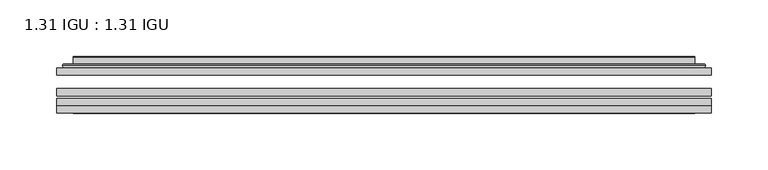
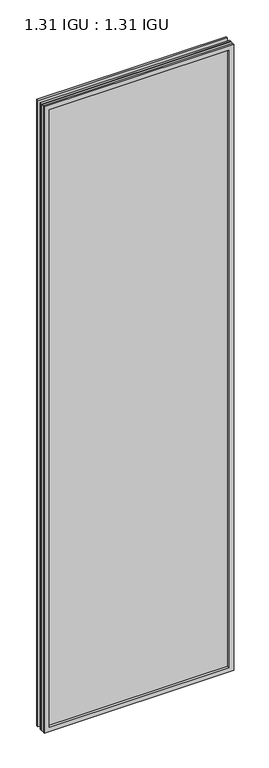
"""IFC4 building model written with IfcOpenShell, lengths in millimetres: plate geometry, 1.31 IGU : 1.31 IGU."""

import ifcopenshell
import ifcopenshell.guid

model = None  # the IFC model being written
_history = None  # IfcOwnerHistory: only IFC2X3 demands one
_inside = {}  # id of a spatial element -> (the spatial element, [elements in it])
_under = {}  # id of a project, library or spatial element -> (it, [spatial elements below it])
_declared = {}  # id of a project -> (the project, [libraries it declares])
_typed = {}  # id of a type object -> (the type object, [elements of that type])
_made_of = {}  # id of a material, layer set ... -> (it, [elements and type objects made of it])


def new_model(schema):
    """Start an empty IFC model of exactly this schema.

    Asked for "IFC4X3", IfcOpenShell would pick the latest addendum, in which some entities
    have other attributes; the version numbers below select the first issue.
    IFC2X3 requires an IfcOwnerHistory on every rooted entity: one is made here for all.
    """
    global model, _history
    if schema == "IFC4X3":
        model = ifcopenshell.file(schema_version=(4, 3, 0, 0))
    else:
        model = ifcopenshell.file(schema=schema)
    _inside.clear()
    _under.clear()
    _declared.clear()
    _typed.clear()
    _made_of.clear()
    _history = None
    if model.schema == "IFC2X3":
        org = make("IfcOrganization", Name="unknown")
        user = make(
            "IfcPersonAndOrganization",
            ThePerson=make("IfcPerson", FamilyName="unknown"),
            TheOrganization=org,
        )
        app = make(
            "IfcApplication",
            ApplicationDeveloper=org,
            Version="unknown",
            ApplicationFullName="unknown",
            ApplicationIdentifier="unknown",
        )
        _history = make(
            "IfcOwnerHistory",
            OwningUser=user,
            OwningApplication=app,
            ChangeAction="ADDED",
            CreationDate=0,
        )
    return model


def make(cls, **values):
    """One entity of the class cls with the attributes given. An attribute that is None is left unset."""
    return model.create_entity(
        cls, **{name: value for name, value in values.items() if value is not None}
    )


def rooted(cls, **values):
    """An entity with a GlobalId (a new one), such as an element, a storey or a relation."""
    return make(cls, GlobalId=ifcopenshell.guid.new(), OwnerHistory=_history, **values)


def si_unit(unit_type, name, prefix=None):
    """IfcSIUnit, for example si_unit("LENGTHUNIT", "METRE", prefix="MILLI")."""
    return make("IfcSIUnit", UnitType=unit_type, Prefix=prefix, Name=name)


def assignment(units):
    """IfcUnitAssignment: the units of a project."""
    return None if units is None else make("IfcUnitAssignment", Units=units)


def point(xyz):
    """IfcCartesianPoint."""
    return None if xyz is None else make("IfcCartesianPoint", Coordinates=xyz)


def direction(xyz):
    """IfcDirection."""
    return None if xyz is None else make("IfcDirection", DirectionRatios=xyz)


def frame(location, z_axis=None, x_axis=None):
    """IfcAxis2Placement3D, a coordinate frame: its origin and axes. An axis left out is left unset."""
    return make(
        "IfcAxis2Placement3D",
        Location=point(location),
        Axis=direction(z_axis),
        RefDirection=direction(x_axis),
    )


def origin():
    """The frame at (0, 0, 0) with its axes left unset."""
    return frame((0.0, 0.0, 0.0))


def place(relative_to, where):
    """IfcLocalPlacement: puts the frame where relative to a parent placement (None: the world)."""
    return make(
        "IfcLocalPlacement", PlacementRelTo=relative_to, RelativePlacement=where
    )


def context(
    kind, dimensions, precision=None, world=None, true_north=None, identifier=None
):
    """IfcGeometricRepresentationContext, for example the 3D "Model" context."""
    return make(
        "IfcGeometricRepresentationContext",
        ContextIdentifier=identifier,
        ContextType=kind,
        CoordinateSpaceDimension=dimensions,
        Precision=precision,
        WorldCoordinateSystem=world,
        TrueNorth=true_north,
    )


def project(units=None, contexts=None):
    """IfcProject with its units and contexts."""
    return rooted(
        "IfcProject",
        Name="project",
        RepresentationContexts=contexts,
        UnitsInContext=assignment(units),
    )


def spatial(cls, under=None, at=None, **own):
    """A site, building, storey or space (cls), placed at a placement, below another one or the project."""
    s = rooted(cls, ObjectPlacement=at, **own)
    if under is not None:
        _under.setdefault(under.id(), (under, []))[1].append(s)
    return s


def polyline(points):
    """IfcPolyline through the points."""
    return make("IfcPolyline", Points=[point(p) for p in points])


def ellipse_curve(where, semi_axis1, semi_axis2):
    """IfcEllipse in the frame where."""
    return make(
        "IfcEllipse", Position=where, SemiAxis1=semi_axis1, SemiAxis2=semi_axis2
    )


def outline(outer, holes=None, kind="AREA"):
    """IfcArbitraryClosedProfileDef: a profile drawn as a closed curve; with holes, ...WithVoids."""
    if holes is None:
        return make("IfcArbitraryClosedProfileDef", ProfileType=kind, OuterCurve=outer)
    return make(
        "IfcArbitraryProfileDefWithVoids",
        ProfileType=kind,
        OuterCurve=outer,
        InnerCurves=holes,
    )


def extrude(swept, where, along, depth):
    """IfcExtrudedAreaSolid: the profile swept, set in the frame where, extruded along a direction by depth."""
    return make(
        "IfcExtrudedAreaSolid",
        SweptArea=swept,
        Position=where,
        ExtrudedDirection=direction(along),
        Depth=depth,
    )


def faces_of(points, faces, orient=None, outer=None):
    """IfcFace entities. A face is a list of loops; a loop is a list of indices into points, from 0.

    orient and outer hold one flag for each loop. By default every Orientation is true, the
    first loop of a face is its IfcFaceOuterBound and the others are IfcFaceBound.
    """
    made = []
    for i, loops in enumerate(faces):
        bounds = []
        for j, loop in enumerate(loops):
            is_outer = j == 0 if outer is None else outer[i][j]
            bounds.append(
                make(
                    "IfcFaceOuterBound" if is_outer else "IfcFaceBound",
                    Bound=make("IfcPolyLoop", Polygon=[points[k] for k in loop]),
                    Orientation=True if orient is None else orient[i][j],
                )
            )
        made.append(make("IfcFace", Bounds=bounds))
    return made


def faceted_brep(points, faces, orient=None, outer=None, voids=None):
    """IfcFacetedBrep: a solid bounded by flat faces; with voids (closed shells), ...WithVoids."""
    shared = [point(p) for p in points]
    hull = make("IfcClosedShell", CfsFaces=faces_of(shared, faces, orient, outer))
    if voids is None:
        return make("IfcFacetedBrep", Outer=hull)
    return make(
        "IfcFacetedBrepWithVoids",
        Outer=hull,
        Voids=[
            make(cls, CfsFaces=faces_of(shared, fs, o, b)) for cls, fs, o, b in voids
        ],
    )


def shape(context_of_items, identifier, shape_type, items):
    """IfcShapeRepresentation: the items that make up one representation, for example the "Body"."""
    return make(
        "IfcShapeRepresentation",
        ContextOfItems=context_of_items,
        RepresentationIdentifier=identifier,
        RepresentationType=shape_type,
        Items=items,
    )


def source(mapping_origin, context_of_items, identifier, shape_type, items):
    """IfcRepresentationMap: a shape defined once, which mapped items show again and again."""
    return make(
        "IfcRepresentationMap",
        MappingOrigin=mapping_origin,
        MappedRepresentation=shape(context_of_items, identifier, shape_type, items),
    )


def transform(
    local_origin,
    x_axis=None,
    y_axis=None,
    z_axis=None,
    scale=None,
    scale2=None,
    scale3=None,
    uniform=True,
):
    """IfcCartesianTransformationOperator3D, or its non-uniform kind. x_axis, y_axis, z_axis: its Axis1, 2, 3."""
    if uniform:
        return make(
            "IfcCartesianTransformationOperator3D",
            Axis1=direction(x_axis),
            Axis2=direction(y_axis),
            LocalOrigin=point(local_origin),
            Scale=scale,
            Axis3=direction(z_axis),
        )
    return make(
        "IfcCartesianTransformationOperator3DnonUniform",
        Axis1=direction(x_axis),
        Axis2=direction(y_axis),
        LocalOrigin=point(local_origin),
        Scale=scale,
        Axis3=direction(z_axis),
        Scale2=scale2,
        Scale3=scale3,
    )


def mapped(mapping_source, mapping_target):
    """IfcMappedItem: shows the shape of a source again, moved by a transform."""
    return make(
        "IfcMappedItem", MappingSource=mapping_source, MappingTarget=mapping_target
    )


def made_of(thing, what):
    """Note that an element or type object is made of a material, layer set ...; save() writes the relation."""
    if what is not None:
        _made_of.setdefault(what.id(), (what, []))[1].append(thing)
    return thing


def element(
    cls,
    number,
    at=None,
    inside=None,
    cuts=None,
    type_object=None,
    material=None,
    context=None,
    identifier="Body",
    shape_type=None,
    held_by="IfcProductDefinitionShape",
    body=None,
    shapes=None,
    **own,
):
    """One element of the class cls, such as IfcWall. Its Tag is "e" and its number.

    at: its placement. inside: the storey or other place that contains it. cuts: it is an
    opening in that element (IfcRelVoidsElement). A single representation is given by context,
    identifier, shape_type and body (its items); several are given by shapes. held_by: the class
    of the entity that holds the representations. save() writes the other relations.
    """
    e = rooted(cls, Tag="e%d" % number, ObjectPlacement=at, **own)
    if body is not None:
        shapes = [shape(context, identifier, shape_type, body)]
    if shapes is not None:
        e.Representation = make(held_by, Representations=shapes)
    if inside is not None:
        _inside.setdefault(inside.id(), (inside, []))[1].append(e)
    if cuts is not None:
        rooted(
            "IfcRelVoidsElement", RelatingBuildingElement=cuts, RelatedOpeningElement=e
        )
    if type_object is not None:
        _typed.setdefault(type_object.id(), (type_object, []))[1].append(e)
    return made_of(e, material)


def aggregate(whole, parts):
    """IfcRelAggregates: a whole, such as a stair, and the parts it consists of."""
    return rooted("IfcRelAggregates", RelatingObject=whole, RelatedObjects=parts)


def save(model, path):
    """Write the relations noted so far, then the file.

    IfcRelAggregates (storeys below a building ...), IfcRelContainedInSpatialStructure (elements
    in a storey), IfcRelDefinesByType, IfcRelAssociatesMaterial and IfcRelDeclares: one each for
    every whole, place, type object, material and project.
    """
    for whole, parts in _under.values():
        aggregate(whole, parts)
    for where, things in _inside.values():
        rooted(
            "IfcRelContainedInSpatialStructure",
            RelatedElements=things,
            RelatingStructure=where,
        )
    for kind, things in _typed.values():
        rooted("IfcRelDefinesByType", RelatedObjects=things, RelatingType=kind)
    for what, things in _made_of.values():
        rooted("IfcRelAssociatesMaterial", RelatedObjects=things, RelatingMaterial=what)
    for by, libraries in _declared.values():
        rooted("IfcRelDeclares", RelatingContext=by, RelatedDefinitions=libraries)
    model.write(path)


def plane_surface(at):
    """IfcPlane: the flat surface through the origin of the frame at, square to its z axis."""
    return make("IfcPlane", Position=at)


def cylinder_surface(at, radius):
    """IfcCylindricalSurface: all points at the distance radius from the z axis of the frame at."""
    return make("IfcCylindricalSurface", Position=at, Radius=radius)


def advanced_brep(points, edges, surfaces, faces):
    """IfcAdvancedBrep: a solid bounded by faces that lie on surfaces and meet in shared edges.

    An edge is (start, end): straight between two places in points (the first is 0);
    or (start, end, curve); or (start, end, curve, False) where it runs against its curve.
    A face is (place in surfaces, loops), or (place, loops, False) where it looks against
    its surface's normal. A loop lists edges by number (the first is 1), with a minus sign
    where the edge is run from its end to its start. The first loop is the outer one.
    """
    corners = [point(p) for p in points]
    vertices = [make("IfcVertexPoint", VertexGeometry=c) for c in corners]
    made = []
    for start, end, *more in edges:
        made.append(
            make(
                "IfcEdgeCurve",
                EdgeStart=vertices[start],
                EdgeEnd=vertices[end],
                EdgeGeometry=more[0] if more else make("IfcPolyline", Points=[corners[start], corners[end]]),
                SameSense=more[1] if len(more) > 1 else True,
            )
        )
    hull = []
    for where, loops, *sense in faces:
        bounds = []
        for j, loop in enumerate(loops):
            ring = [make("IfcOrientedEdge", EdgeElement=made[abs(k) - 1], Orientation=k > 0) for k in loop]
            bounds.append(
                make(
                    "IfcFaceOuterBound" if j == 0 else "IfcFaceBound",
                    Bound=make("IfcEdgeLoop", EdgeList=ring),
                    Orientation=True,
                )
            )
        hull.append(make("IfcAdvancedFace", Bounds=bounds, FaceSurface=surfaces[where], SameSense=sense[0] if sense else True))
    return make("IfcAdvancedBrep", Outer=make("IfcClosedShell", CfsFaces=hull))


def plate_1_31_igu_1_31_igu_e0c0323f(model_context):
    return source(origin(), model_context, "Body", "SolidModel", [
        extrude(outline(polyline([(287.351675, -63.2975937), (287.351675, -69.6475938), (-287.3375, -69.6475938), (-287.3375, -63.2975937), (287.351675, -63.2975937)])), frame((0.0, 0.0, -14.2875), z_axis=(0.0, 0.0, 1.0), x_axis=(1.0, 0.0, 0.0)), (0.0, 0.0, 1.0), 2009.796575),
        extrude(outline(polyline([(-287.3375, -78.2835938), (-287.3375, -71.9330887), (287.351675, -71.9330887), (287.351675, -78.2835938), (-287.3375, -78.2835938)])), frame((0.0, 0.0, -14.2875), z_axis=(0.0, 0.0, 1.0), x_axis=(1.0, 0.0, 0.0)), (0.0, 0.0, 1.0), 2009.796575),
        extrude(outline(polyline([(287.351675, -44.9587937), (287.351675, -51.3087938), (-287.3375, -51.3087938), (-287.3375, -44.9587937), (287.351675, -44.9587937)])), frame((0.0, 0.0, -14.2875), z_axis=(0.0, 0.0, 1.0), x_axis=(1.0, 0.0, 0.0)), (0.0, 0.0, 1.0), 2009.796575),
        faceted_brep([(-287.3502, -84.6335937, 1995.5179772), (-287.3502, -78.2835937, 1995.5179772), (-287.3502, -78.2835937, -14.3002), (-287.3502, -84.6335937, -14.3002), (287.3502, -78.2835937, -14.3002), (287.3502, -84.6335937, -14.3002), (287.3502, -78.2835937, 1995.5179772), (287.3502, -84.6335937, 1995.5179772), (-272.1522559, -78.2835937, 0.8977441), (272.1522559, -78.2835937, 0.8977441), (272.1522559, -78.2835937, 1980.320033), (-272.1522559, -78.2835937, 1980.320033), (-273.0446902, -84.6335937, 1981.2124673), (273.0446902, -84.6335937, 1981.2124673), (273.0446902, -84.6335937, 0.0053098), (-273.0446902, -84.6335937, 0.0053098)], [[[0, 1, 2, 3]], [[3, 2, 4, 5]], [[5, 4, 6, 7]], [[1, 6, 4, 2], [8, 9, 10, 11]], [[7, 6, 1, 0]], [[3, 5, 7, 0], [12, 13, 14, 15]], [[11, 12, 15, 8]], [[8, 15, 14, 9]], [[9, 14, 13, 10]], [[10, 13, 12, 11]]]),
        advanced_brep(
        [(-280.096219, -44.9587937, 1988.2639962), (-282.4504244, -42.9691271, 1990.6182015), (-282.4504244, -42.9691271, -9.4004244), (-280.096219, -44.9587937, -7.046219), (-271.0218939, -41.1187568, 1979.1896711), (-266.0870621, -44.9587937, 1974.2548392), (-266.0870621, -44.9587937, 6.9629379), (-271.0218939, -41.1187568, 2.0281061), (-272.0539217, -35.7215256, 1980.2216988), (-272.0539217, -35.7215256, 0.9960783), (-273.0445784, -35.3225507, 1981.2123556), (-273.0445784, -35.3225507, 0.0054216), (-273.0445784, -41.7837937, 1981.2123556), (-273.0445784, -41.7837937, 0.0054216), (-281.4486349, -41.7837937, 1989.616412), (-281.4486349, -41.7837937, -8.3986349), (282.4504244, -42.9691271, -9.4004244), (280.096219, -44.9587937, -7.046219), (266.0870621, -44.9587937, 6.9629379), (271.0218939, -41.1187568, 2.0281061), (272.0539217, -35.7215256, 0.9960783), (273.0445784, -35.3225507, 0.0054216), (273.0445784, -41.7837937, 0.0054216), (281.4486349, -41.7837937, -8.3986349), (282.4504244, -42.9691271, 1990.6182015), (280.096219, -44.9587937, 1988.2639962), (266.0870621, -44.9587937, 1974.2548392), (271.0218939, -41.1187568, 1979.1896711), (272.0539217, -35.7215256, 1980.2216988), (273.0445784, -35.3225507, 1981.2123556), (273.0445784, -41.7837937, 1981.2123556), (281.4486349, -41.7837937, 1989.616412)],
        [
            (0, 1, ellipse_curve(frame((-280.096219, -42.5711937, 1988.2639962), z_axis=(-0.7071067811865475, 0.0, -0.7071067811865475), x_axis=(-0.7071067811865474, 0.0, 0.7071067811865476)), 3.3765763, 2.3876)),
            (1, 2),
            (2, 3, ellipse_curve(frame((-280.096219, -42.5711937, -7.046219), z_axis=(-0.7071067811865475, 0.0, 0.7071067811865475), x_axis=(0.7071067811865474, 0.0, 0.7071067811865476)), 3.3765763, 2.3876)),
            (3, 0),
            (4, 5),
            (5, 6),
            (6, 7),
            (7, 4),
            (8, 4),
            (7, 9),
            (9, 8),
            (10, 8, ellipse_curve(frame((-272.6776219, -35.840786, 1980.845399), z_axis=(-0.7071067811865475, 0.0, -0.7071067811865475), x_axis=(-0.7071067811865474, 0.0, 0.7071067811865476)), 0.8980256, 0.635)),
            (9, 11, ellipse_curve(frame((-272.6776219, -35.840786, 0.3723781), z_axis=(-0.7071067811865475, 0.0, 0.7071067811865475), x_axis=(0.7071067811865474, 0.0, 0.7071067811865476)), 0.8980256, 0.635)),
            (11, 10),
            (12, 10),
            (11, 13),
            (13, 12),
            (1, 14, ellipse_curve(frame((-281.4486349, -42.7997937, 1989.616412), z_axis=(-0.7071067811865475, 0.0, -0.7071067811865475), x_axis=(-0.7071067811865474, 0.0, 0.7071067811865476)), 1.436841, 1.016)),
            (14, 15),
            (15, 2, ellipse_curve(frame((-281.4486349, -42.7997937, -8.3986349), z_axis=(-0.7071067811865475, 0.0, 0.7071067811865475), x_axis=(0.7071067811865474, 0.0, 0.7071067811865476)), 1.436841, 1.016)),
            (2, 16),
            (16, 17, ellipse_curve(frame((280.096219, -42.5711937, -7.046219), z_axis=(-0.7071067811865475, 0.0, -0.7071067811865475), x_axis=(-0.7071067811865476, 0.0, 0.7071067811865474)), 3.3765763, 2.3876)),
            (17, 3),
            (6, 18),
            (18, 19),
            (19, 7),
            (19, 20),
            (20, 9),
            (20, 21, ellipse_curve(frame((272.6776219, -35.840786, 0.3723781), z_axis=(-0.7071067811865475, 0.0, -0.7071067811865475), x_axis=(-0.7071067811865476, 0.0, 0.7071067811865474)), 0.8980256, 0.635)),
            (21, 11),
            (21, 22),
            (22, 13),
            (15, 23),
            (23, 16, ellipse_curve(frame((281.4486349, -42.7997937, -8.3986349), z_axis=(-0.7071067811865475, 0.0, -0.7071067811865475), x_axis=(-0.7071067811865476, 0.0, 0.7071067811865474)), 1.436841, 1.016)),
            (16, 24),
            (24, 25, ellipse_curve(frame((280.096219, -42.5711937, 1988.2639962), z_axis=(0.7071067811865475, 0.0, -0.7071067811865475), x_axis=(-0.7071067811865474, 0.0, -0.7071067811865476)), 3.3765763, 2.3876)),
            (25, 17),
            (18, 26),
            (26, 27),
            (27, 19),
            (27, 28),
            (28, 20),
            (28, 29, ellipse_curve(frame((272.6776219, -35.840786, 1980.845399), z_axis=(0.7071067811865475, 0.0, -0.7071067811865475), x_axis=(-0.7071067811865474, 0.0, -0.7071067811865476)), 0.8980256, 0.635)),
            (29, 21),
            (29, 30),
            (30, 22),
            (23, 31),
            (31, 24, ellipse_curve(frame((281.4486349, -42.7997937, 1989.616412), z_axis=(0.7071067811865475, 0.0, -0.7071067811865475), x_axis=(-0.7071067811865474, 0.0, -0.7071067811865476)), 1.436841, 1.016)),
            (24, 1),
            (0, 25),
            (5, 26),
            (4, 27),
            (8, 28),
            (10, 29),
            (12, 30),
            (14, 31),
        ],
        [
            cylinder_surface(frame((-280.096219, -42.5711937, 2012.9677772), z_axis=(0.0, 0.0, 1.0), x_axis=(-1.0, 0.0, 0.0)), 2.3876),
            plane_surface(frame((-266.0870621, -44.9587937, 1974.2548392), z_axis=(0.6141233906514794, 0.7892100234124821, 0.0), x_axis=(0.0, 0.0, -1.0))),
            plane_surface(frame((-271.0218939, -41.1187568, 1979.1896711), z_axis=(0.9822050625507729, 0.18781164793386076, 0.0), x_axis=(0.0, 0.0, -1.0))),
            cylinder_surface(frame((-272.6776219, -35.840786, 2012.9677772), z_axis=(0.0, 0.0, 1.0), x_axis=(-1.0, 0.0, 0.0)), 0.635),
            plane_surface(frame((-273.0445784, -35.3225507, 1981.2123556), z_axis=(-1.0, 0.0, 0.0), x_axis=(0.0, 0.0, -1.0))),
            cylinder_surface(frame((-281.4486349, -42.7997937, 2012.9677772), z_axis=(0.0, 0.0, 1.0), x_axis=(-1.0, 0.0, 0.0)), 1.016),
            cylinder_surface(frame((-304.8, -42.5711937, -7.046219), z_axis=(-1.0, 0.0, 0.0), x_axis=(0.0, 0.0, -1.0)), 2.3876),
            plane_surface(frame((-266.0870621, -44.9587937, 6.9629379), z_axis=(0.0, 0.7892100234124841, 0.6141233906514768), x_axis=(1.0, 0.0, 0.0))),
            plane_surface(frame((-271.0218939, -41.1187568, 2.0281061), z_axis=(0.0, 0.18781164793386393, 0.9822050625507723), x_axis=(1.0, 0.0, 0.0))),
            cylinder_surface(frame((-304.8, -35.840786, 0.3723781), z_axis=(-1.0, 0.0, 0.0), x_axis=(0.0, 0.0, -1.0)), 0.635),
            plane_surface(frame((-273.0445784, -35.3225507, 0.0054216), z_axis=(0.0, 0.0, -1.0), x_axis=(1.0, 0.0, 0.0))),
            cylinder_surface(frame((-304.8, -42.7997937, -8.3986349), z_axis=(-1.0, 0.0, 0.0), x_axis=(0.0, 0.0, -1.0)), 1.016),
            cylinder_surface(frame((280.096219, -42.5711937, -31.75), z_axis=(0.0, 0.0, -1.0), x_axis=(1.0, 0.0, 0.0)), 2.3876),
            plane_surface(frame((266.0870621, -44.9587937, 6.9629379), z_axis=(-0.6141233906514743, 0.7892100234124861, 0.0), x_axis=(0.0, 0.0, 1.0))),
            plane_surface(frame((271.0218939, -41.1187568, 2.0281061), z_axis=(-0.9822050625507718, 0.1878116479338671, 0.0), x_axis=(0.0, 0.0, 1.0))),
            cylinder_surface(frame((272.6776219, -35.840786, -31.75), z_axis=(0.0, 0.0, -1.0), x_axis=(1.0, 0.0, 0.0)), 0.635),
            plane_surface(frame((273.0445784, -35.3225507, 0.0054216), z_axis=(1.0, 0.0, 0.0), x_axis=(0.0, 0.0, 1.0))),
            cylinder_surface(frame((281.4486349, -42.7997937, -31.75), z_axis=(0.0, 0.0, -1.0), x_axis=(1.0, 0.0, 0.0)), 1.016),
            cylinder_surface(frame((304.8, -42.5711937, 1988.2639962), z_axis=(1.0, 0.0, 0.0), x_axis=(0.0, 0.0, 1.0)), 2.3876),
            plane_surface(frame((280.096219, -44.9587937, 1988.2639962), z_axis=(0.0, -1.0, 0.0), x_axis=(-1.0, 0.0, 0.0))),
            plane_surface(frame((266.0870621, -44.9587937, 1974.2548392), z_axis=(0.0, 0.7892100234124841, -0.6141233906514768), x_axis=(-1.0, 0.0, 0.0))),
            plane_surface(frame((271.0218939, -41.1187568, 1979.1896711), z_axis=(0.0, 0.18781164793386393, -0.9822050625507723), x_axis=(-1.0, 0.0, 0.0))),
            cylinder_surface(frame((304.8, -35.840786, 1980.845399), z_axis=(1.0, 0.0, 0.0), x_axis=(0.0, 0.0, 1.0)), 0.635),
            plane_surface(frame((273.0445784, -35.3225507, 1981.2123556), z_axis=(0.0, 0.0, 1.0), x_axis=(-1.0, 0.0, 0.0))),
            plane_surface(frame((273.0445784, -41.7837937, 1981.2123556), z_axis=(0.0, 1.0, 0.0), x_axis=(-1.0, 0.0, 0.0))),
            cylinder_surface(frame((304.8, -42.7997937, 1989.616412), z_axis=(1.0, 0.0, 0.0), x_axis=(0.0, 0.0, 1.0)), 1.016),
        ],
        [
            (0, [[1, 2, 3, 4]]),
            (1, [[5, 6, 7, 8]]),
            (2, [[9, -8, 10, 11]]),
            (3, [[12, -11, 13, 14]]),
            (4, [[15, -14, 16, 17]]),
            (5, [[18, 19, 20, -2]]),
            (6, [[-3, 21, 22, 23]]),
            (7, [[-7, 24, 25, 26]]),
            (8, [[-10, -26, 27, 28]]),
            (9, [[-13, -28, 29, 30]]),
            (10, [[-16, -30, 31, 32]]),
            (11, [[-20, 33, 34, -21]]),
            (12, [[-22, 35, 36, 37]]),
            (13, [[-25, 38, 39, 40]]),
            (14, [[-27, -40, 41, 42]]),
            (15, [[-29, -42, 43, 44]]),
            (16, [[-31, -44, 45, 46]]),
            (17, [[-34, 47, 48, -35]]),
            (18, [[-36, 49, -1, 50]]),
            (19, [[-23, -37, -50, -4], [51, -38, -24, -6]]),
            (20, [[-39, -51, -5, 52]]),
            (21, [[-41, -52, -9, 53]]),
            (22, [[-43, -53, -12, 54]]),
            (23, [[-45, -54, -15, 55]]),
            (24, [[56, -47, -33, -19], [-32, -46, -55, -17]]),
            (25, [[-48, -56, -18, -49]]),
        ],
    ),
    ])


if __name__ == "__main__":
    model = new_model("IFC4")
    model_context = context("Model", 3, world=origin())
    ifc_project = project(units=[si_unit("LENGTHUNIT", "METRE", prefix="MILLI")], contexts=[model_context])
    site = spatial("IfcSite", under=ifc_project)
    building = spatial("IfcBuilding", under=site)
    placement = place(None, origin())
    plate_1_31_igu_1_31_igu_shape = plate_1_31_igu_1_31_igu_e0c0323f(model_context)
    element("IfcPlate", 1, ObjectType="1.31 IGU : 1.31 IGU", at=placement, inside=building, context=model_context, shape_type="MappedRepresentation", body=[
        mapped(plate_1_31_igu_1_31_igu_shape, transform((0.0, 0.0, 0.0), x_axis=(1.0, 0.0, 0.0), y_axis=(0.0, 1.0, 0.0), z_axis=(0.0, 0.0, 1.0))),
    ])
    save(model, "model.ifc")
